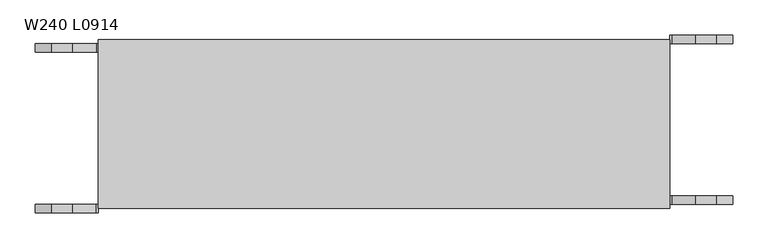
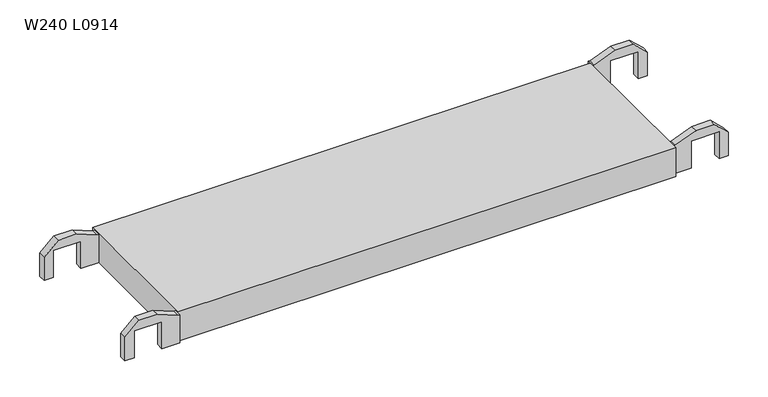
"""IFC4 building model written with IfcOpenShell, lengths in millimetres: proxy geometry, W240 L0914."""

from ifc_helpers import new_model, si_unit, frame, origin, place, context, project, spatial, polyline, outline, extrude, source, transform, mapped, element, save


def w240_l0914_c86f9320(model_context):
    return source(origin(), model_context, "Body", "SweptSolid", [
        extrude(outline(polyline([(24.1, 52.2699789), (24.1, 48.7699789), (37.5, 15.1641799), (37.5, -14.6242221), (16.179605, -37.2300211), (-24.1, -37.2300211), (-24.1, -22.2300211), (22.4243463, -22.2300211), (22.4243463, 22.7699789), (-24.1, 22.7699789), (-24.1, 52.2699789), (24.1, 52.2699789)])), frame((0.0, 228.0, 0.0), z_axis=(0.0, 1.0, 0.0), x_axis=(0.0, 0.0, 1.0)), (0.0, 0.0, 1.0), 12.0),
        extrude(outline(polyline([(24.1, 861.6474649), (-24.1, 861.6474649), (-24.1, 891.1474649), (22.4243463, 891.1474649), (22.4243463, 936.1474649), (-24.1, 936.1474649), (-24.1, 951.1474649), (16.179605, 951.1474649), (37.5, 928.5416659), (37.5, 898.7532639), (24.1, 865.1474649), (24.1, 861.6474649)])), frame((0.0, 240.0, 0.0), z_axis=(0.0, 1.0, 0.0), x_axis=(0.0, 0.0, 1.0)), (0.0, 0.0, 1.0), 12.0),
        extrude(outline(polyline([(24.1, 52.0825562), (24.1, 48.5825562), (37.5, 14.9767572), (37.5, -14.8116448), (16.179605, -37.4174438), (-24.1, -37.4174438), (-24.1, -22.4174438), (22.4243463, -22.4174438), (22.4243463, 22.5825562), (-24.1, 22.5825562), (-24.1, 52.0825562), (24.1, 52.0825562)])), frame((0.0, 0.0, 0.0), z_axis=(0.0, 1.0, 0.0), x_axis=(0.0, 0.0, 1.0)), (0.0, 0.0, 1.0), 12.0),
        extrude(outline(polyline([(24.1, 861.6474649), (-24.1, 861.6474649), (-24.1, 891.1474649), (22.4243463, 891.1474649), (22.4243463, 936.1474649), (-24.1, 936.1474649), (-24.1, 951.1474649), (16.179605, 951.1474649), (37.5, 928.5416659), (37.5, 898.7532639), (24.1, 865.1474649), (24.1, 861.6474649)])), frame((0.0, 12.0, 0.0), z_axis=(0.0, 1.0, 0.0), x_axis=(0.0, 0.0, 1.0)), (0.0, 0.0, 1.0), 12.0),
        extrude(outline(polyline([(52.0, 6.0), (52.0, 246.0), (862.0, 246.0), (862.0, 6.0), (52.0, 6.0)])), frame((0.0, 0.0, -25.0), z_axis=(0.0, 0.0, 1.0), x_axis=(1.0, 0.0, 0.0)), (0.0, 0.0, 1.0), 50.0),
    ])


if __name__ == "__main__":
    model = new_model("IFC4")
    model_context = context("Model", 3, world=origin())
    ifc_project = project(units=[si_unit("LENGTHUNIT", "METRE", prefix="MILLI")], contexts=[model_context])
    site = spatial("IfcSite", under=ifc_project)
    building = spatial("IfcBuilding", under=site)
    placement = place(None, origin())
    w240_l0914_shape = w240_l0914_c86f9320(model_context)
    element("IfcBuildingElementProxy", 1, Name="W240 L0914", ObjectType="W240 L0914", at=placement, inside=building, context=model_context, shape_type="MappedRepresentation", body=[
        mapped(w240_l0914_shape, transform((0.0, 0.0, 0.0), x_axis=(1.0, 0.0, 0.0), y_axis=(0.0, 1.0, 0.0), z_axis=(0.0, 0.0, 1.0))),
    ])
    save(model, "model.ifc")
